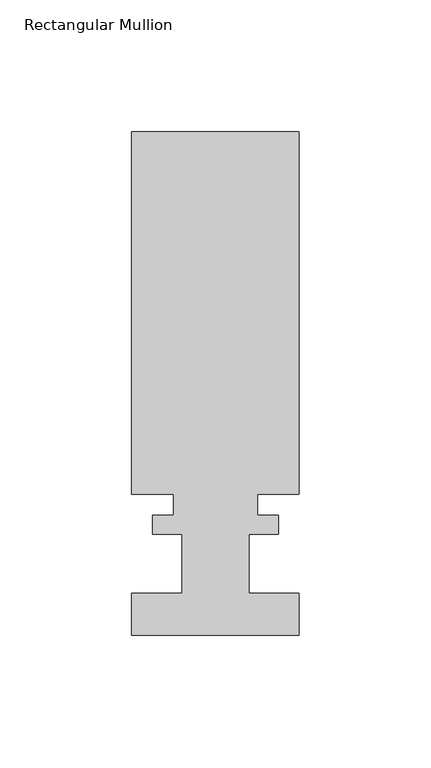
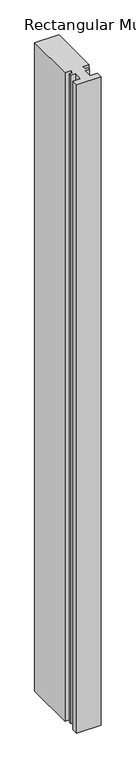
"""IFC4 building model written with IfcOpenShell, lengths in millimetres: member geometry, Rectangular Mullion."""

from ifc_helpers import new_model, si_unit, frame, origin, place, context, project, spatial, polyline, outline, extrude, source, transform, mapped, element, save


def rectangular_mullion_00d9b231(model_context):
    return source(origin(), model_context, "Body", "SweptSolid", [
        extrude(outline(polyline([(-31.75, -0.0555625), (-31.75, 15.8194375), (-12.7, 15.8194375), (-12.7, 38.2984375), (-23.8252, 38.2984375), (-23.8252, 45.4612375), (-15.875, 45.4612375), (-15.875, 53.3606375), (-31.75, 53.3606375), (-31.75, 190.6984375), (31.75, 190.6984375), (31.75, 53.3606375), (15.875, 53.3606375), (15.875, 45.4612375), (23.8252, 45.4612375), (23.8252, 38.2984375), (12.7, 38.2984375), (12.7, 15.8194375), (31.75, 15.8194375), (31.75, -0.0555625), (-31.75, -0.0555625)])), frame((0.0, 0.0, -1797.0515168), z_axis=(0.0, 0.0, 1.0), x_axis=(1.0, 0.0, 0.0)), (0.0, 0.0, 1.0), 1797.0515168),
    ])


if __name__ == "__main__":
    model = new_model("IFC4")
    model_context = context("Model", 3, world=origin())
    ifc_project = project(units=[si_unit("LENGTHUNIT", "METRE", prefix="MILLI")], contexts=[model_context])
    site = spatial("IfcSite", under=ifc_project)
    building = spatial("IfcBuilding", under=site)
    placement = place(None, origin())
    rectangular_mullion_shape = rectangular_mullion_00d9b231(model_context)
    element("IfcMember", 1, ObjectType="Rectangular Mullion", at=placement, inside=building, context=model_context, shape_type="MappedRepresentation", body=[
        mapped(rectangular_mullion_shape, transform((0.0, 0.0, 0.0), x_axis=(1.0, 0.0, 0.0), y_axis=(0.0, 1.0, 0.0), z_axis=(0.0, 0.0, 1.0))),
    ])
    save(model, "model.ifc")
